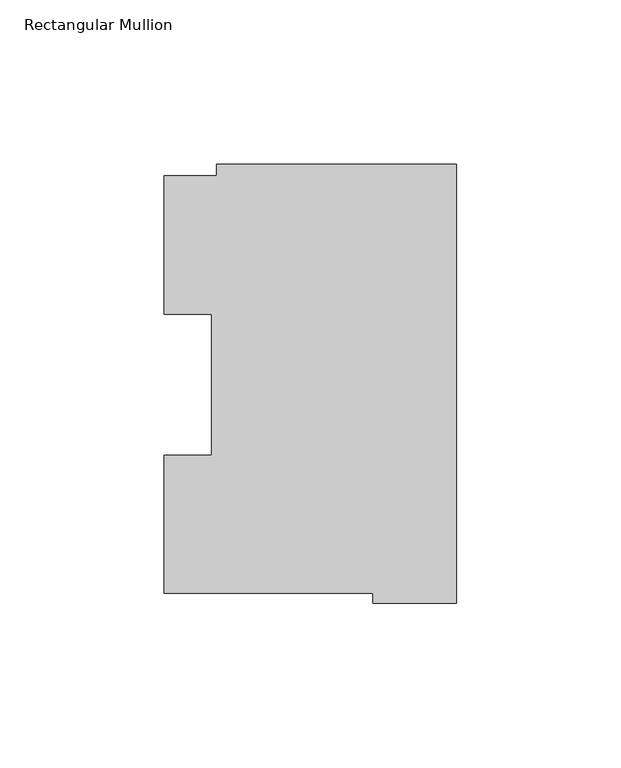
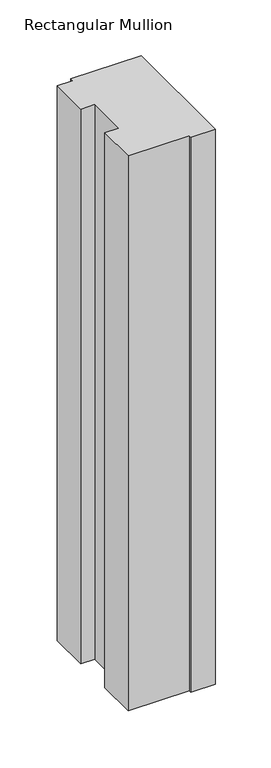
"""IFC4 building model written with IfcOpenShell, lengths in millimetres: member geometry, Rectangular Mullion."""

from ifc_helpers import new_model, si_unit, frame, origin, place, context, project, spatial, polyline, outline, extrude, source, transform, mapped, element, save


def rectangular_mullion_9aed61bb(model_context):
    return source(origin(), model_context, "Body", "SweptSolid", [
        extrude(outline(polyline([(-73.025, 130.1270275), (0.0, 130.1270275), (0.0, -3.2371943), (-25.3823253, -3.2371943), (-25.3823253, -0.2913097), (-88.8823253, -0.2913097), (-88.8823253, 41.7837928), (-74.4735473, 41.7837928), (-74.4735473, 84.6335938), (-88.8823253, 84.6335938), (-88.8823253, 126.7086938), (-73.025, 126.7086938), (-73.025, 130.1270275)])), frame((0.0, 0.0, -609.6), z_axis=(0.0, 0.0, 1.0), x_axis=(1.0, 0.0, 0.0)), (0.0, 0.0, 1.0), 609.6),
    ])


if __name__ == "__main__":
    model = new_model("IFC4")
    model_context = context("Model", 3, world=origin())
    ifc_project = project(units=[si_unit("LENGTHUNIT", "METRE", prefix="MILLI")], contexts=[model_context])
    site = spatial("IfcSite", under=ifc_project)
    building = spatial("IfcBuilding", under=site)
    placement = place(None, origin())
    rectangular_mullion_shape = rectangular_mullion_9aed61bb(model_context)
    element("IfcMember", 1, ObjectType="Rectangular Mullion", at=placement, inside=building, context=model_context, shape_type="MappedRepresentation", body=[
        mapped(rectangular_mullion_shape, transform((0.0, 0.0, 0.0), x_axis=(1.0, 0.0, 0.0), y_axis=(0.0, 1.0, 0.0), z_axis=(0.0, 0.0, 1.0))),
    ])
    save(model, "model.ifc")
